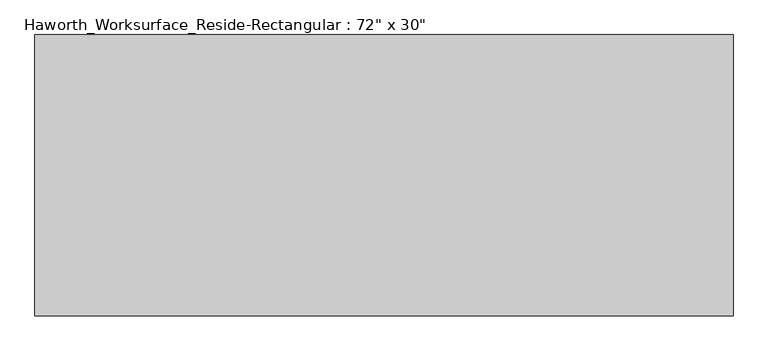
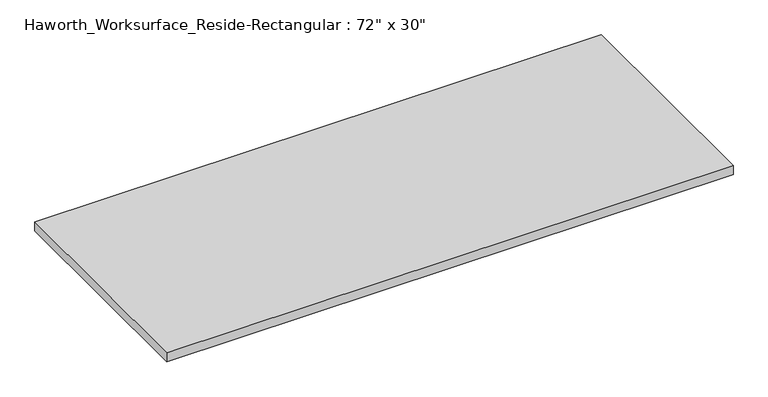
"""IFC4 building model written with IfcOpenShell, lengths in millimetres: furniture geometry."""

from ifc_helpers import new_model, si_unit, frame, origin, place, context, project, spatial, polyline, outline, extrude, source, transform, mapped, element, save


def furniture_0e3993a4(model_context):
    return source(origin(), model_context, "Body", "SweptSolid", [
        extrude(outline(polyline([(914.4, -368.3), (-914.4, -368.3), (-914.4, 368.3), (914.4, 368.3), (914.4, -368.3)])), frame((0.0, 0.0, 706.4375), z_axis=(0.0, 0.0, 1.0), x_axis=(1.0, 0.0, 0.0)), (0.0, 0.0, 1.0), 30.1625),
    ])


if __name__ == "__main__":
    model = new_model("IFC4")
    model_context = context("Model", 3, world=origin())
    ifc_project = project(units=[si_unit("LENGTHUNIT", "METRE", prefix="MILLI")], contexts=[model_context])
    site = spatial("IfcSite", under=ifc_project)
    building = spatial("IfcBuilding", under=site)
    placement = place(None, origin())
    furniture_shape = furniture_0e3993a4(model_context)
    element("IfcFurniture", 1, ObjectType="Haworth_Worksurface_Reside-Rectangular : 72\" x 30\"", at=placement, inside=building, context=model_context, shape_type="MappedRepresentation", body=[
        mapped(furniture_shape, transform((0.0, 0.0, 0.0), x_axis=(1.0, 0.0, 0.0), y_axis=(0.0, 1.0, 0.0), z_axis=(0.0, 0.0, 1.0))),
    ])
    save(model, "model.ifc")
